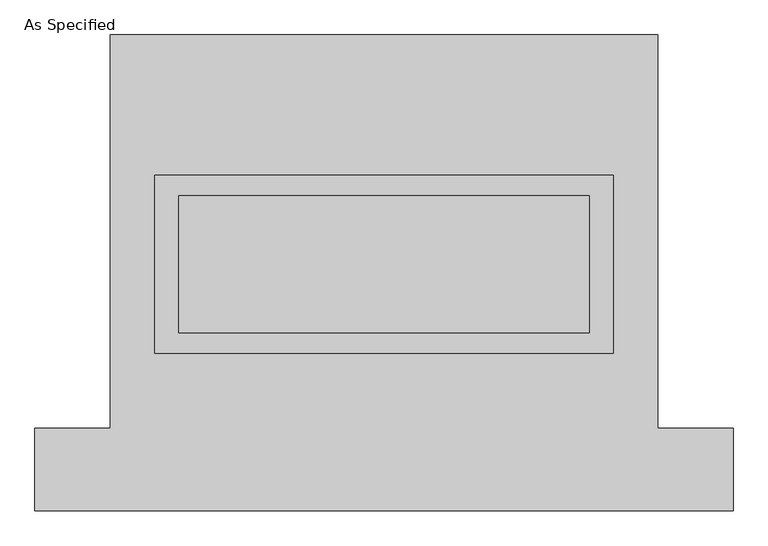
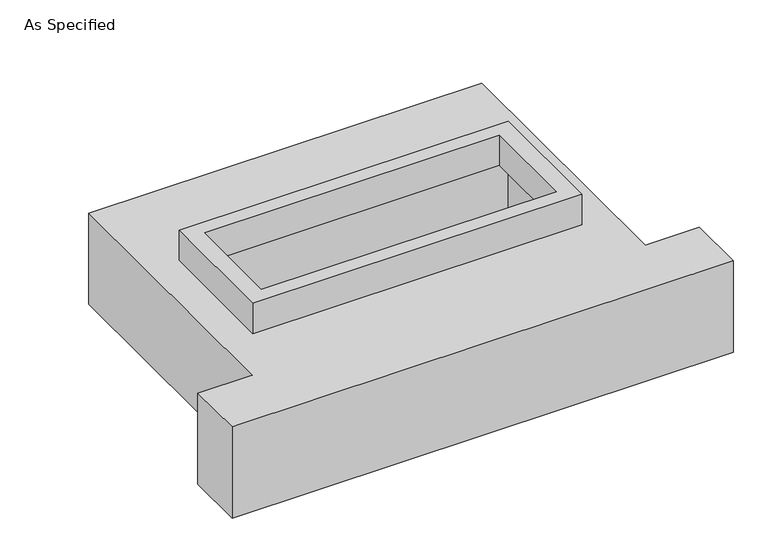
"""IFC4 building model written with IfcOpenShell, lengths in millimetres: proxy geometry, As Specified."""

from ifc_helpers import new_model, si_unit, frame, origin, place, context, project, spatial, polyline, outline, extrude, faceted_brep, source, transform, mapped, element, save


def as_specified_4d2eeb21(model_context):
    return source(origin(), model_context, "Body", "SolidModel", [
        extrude(outline(polyline([(850.9, 361.95), (850.9, -298.45), (-850.9, -298.45), (-850.9, 361.95), (850.9, 361.95)]), holes=[polyline([(762.0, 285.75), (-762.0, 285.75), (-762.0, -222.25), (762.0, -222.25), (762.0, 285.75)])]), frame((0.0, 0.0, -25.4), z_axis=(0.0, 0.0, 1.0), x_axis=(1.0, 0.0, 0.0)), (0.0, 0.0, 1.0), 165.1),
        faceted_brep([(-1016.0, 882.65, -523.875), (1016.0, 882.65, -523.875), (1016.0, -577.85, -523.875), (1295.4, -577.85, -523.875), (1295.4, -882.65, -523.875), (-1295.4, -882.65, -523.875), (-1295.4, -577.85, -523.875), (-1016.0, -577.85, -523.875), (1016.0, 882.65, -25.4), (-1016.0, 882.65, -25.4), (-1016.0, -577.85, -25.4), (-1295.4, -577.85, -25.4), (-1295.4, -882.65, -25.4), (1295.4, -882.65, -25.4), (1295.4, -577.85, -25.4), (1016.0, -577.85, -25.4), (-850.9, -298.45, -25.4), (-850.9, 361.95, -25.4), (850.9, 361.95, -25.4), (850.9, -298.45, -25.4), (850.9, 361.95, -498.475), (-850.9, 361.95, -498.475), (-850.9, -298.45, -498.475), (850.9, -298.45, -498.475)], [[[0, 1, 2, 3, 4, 5, 6, 7]], [[8, 9, 10, 11, 12, 13, 14, 15], [16, 17, 18, 19]], [[1, 0, 9, 8]], [[9, 0, 7, 10]], [[1, 8, 15, 2]], [[20, 21, 22, 23]], [[22, 21, 17, 16]], [[21, 20, 18, 17]], [[20, 23, 19, 18]], [[23, 22, 16, 19]], [[5, 4, 13, 12]], [[3, 2, 15, 14]], [[4, 3, 14, 13]], [[7, 6, 11, 10]], [[6, 5, 12, 11]]]),
    ])


if __name__ == "__main__":
    model = new_model("IFC4")
    model_context = context("Model", 3, world=origin())
    ifc_project = project(units=[si_unit("LENGTHUNIT", "METRE", prefix="MILLI")], contexts=[model_context])
    site = spatial("IfcSite", under=ifc_project)
    building = spatial("IfcBuilding", under=site)
    placement = place(None, origin())
    as_specified_shape = as_specified_4d2eeb21(model_context)
    element("IfcBuildingElementProxy", 1, Name="As Specified", ObjectType="As Specified", at=placement, inside=building, context=model_context, shape_type="MappedRepresentation", body=[
        mapped(as_specified_shape, transform((0.0, 0.0, 0.0), x_axis=(1.0, 0.0, 0.0), y_axis=(0.0, 1.0, 0.0), z_axis=(0.0, 0.0, 1.0))),
    ])
    save(model, "model.ifc")
